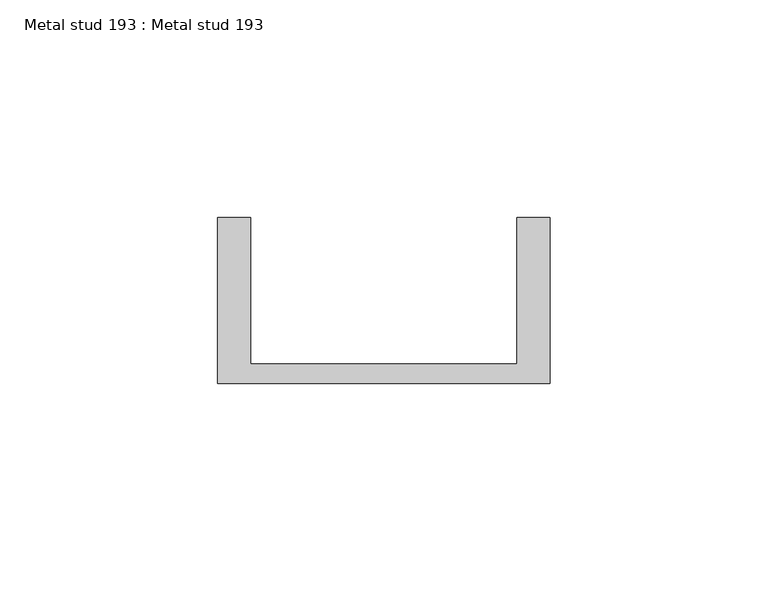
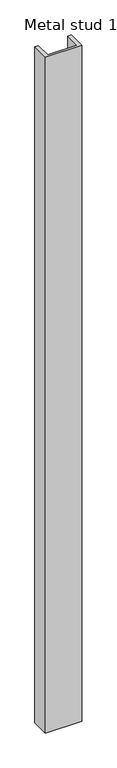
"""IFC4 building model written with IfcOpenShell, lengths in millimetres: proxy geometry, Metal stud 193 : Metal stud 193."""

from ifc_helpers import new_model, si_unit, frame, origin, place, context, project, spatial, polyline, outline, extrude, source, transform, mapped, element, save


def metal_stud_193_metal_stud_193_c4011623(model_context):
    return source(origin(), model_context, "Body", "SweptSolid", [
        extrude(outline(polyline([(37992.6210168, -24920.0529893), (37916.4210168, -24920.0529893), (37916.4210168, -24881.9529893), (37923.9210168, -24881.9529893), (37923.9210168, -24915.5529893), (37985.1210168, -24915.5529893), (37985.1210168, -24881.9529893), (37992.6210168, -24881.9529893), (37992.6210168, -24920.0529893)])), frame((0.0, 0.0, 2606.675), z_axis=(0.0, 0.0, 1.0), x_axis=(1.0, 0.0, 0.0)), (0.0, 0.0, 1.0), 1495.425),
    ])


if __name__ == "__main__":
    model = new_model("IFC4")
    model_context = context("Model", 3, world=origin())
    ifc_project = project(units=[si_unit("LENGTHUNIT", "METRE", prefix="MILLI")], contexts=[model_context])
    site = spatial("IfcSite", under=ifc_project)
    building = spatial("IfcBuilding", under=site)
    placement = place(None, origin())
    metal_stud_193_metal_stud_193_shape = metal_stud_193_metal_stud_193_c4011623(model_context)
    element("IfcBuildingElementProxy", 1, Name="Metal stud 193 : Metal stud 193", ObjectType="Metal stud 193 : Metal stud 193", at=placement, inside=building, context=model_context, shape_type="MappedRepresentation", body=[
        mapped(metal_stud_193_metal_stud_193_shape, transform((0.0, 0.0, 0.0), x_axis=(1.0, 0.0, 0.0), y_axis=(0.0, 1.0, 0.0), z_axis=(0.0, 0.0, 1.0))),
    ])
    save(model, "model.ifc")
